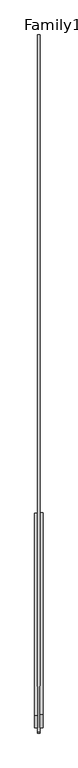
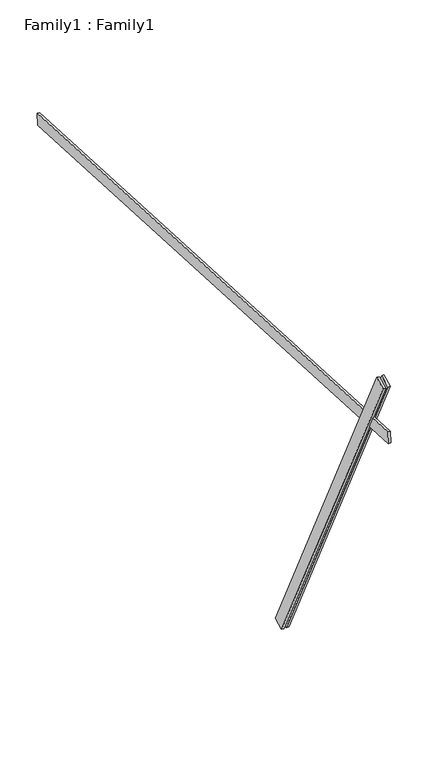
"""IFC4 building model written with IfcOpenShell, lengths in millimetres: proxy geometry, Family1 : Family1."""

from ifc_helpers import new_model, si_unit, frame, origin, place, context, project, spatial, polyline, outline, extrude, source, transform, mapped, element, save


def family1_family1_3a91a97f(model_context):
    return source(origin(), model_context, "Body", "SweptSolid", [
        extrude(outline(polyline([(0.0, 0.0), (-100.0000001, 0.0), (-100.0000001, 20.0), (0.0, 20.0), (0.0, 0.0)])), frame((-30.0, -46.3241747, -22.5938096), z_axis=(0.0, -0.4383711467890692, 0.8987940462991711), x_axis=(0.0, -0.8987940462991711, -0.4383711467890692)), (0.0, 0.0, 1.0), 3300.0),
        extrude(outline(polyline([(0.0, 0.0), (-99.9999999, 0.0), (-99.9999999, 20.0), (0.0, 20.0), (0.0, 0.0)])), frame((10.0, -45.270232, -22.0797674), z_axis=(0.0, -0.4383711467890692, 0.8987940462991711), x_axis=(0.0, -0.8987940462991711, -0.4383711467890692)), (0.0, 0.0, 1.0), 3300.0),
        extrude(outline(polyline([(0.0, 20.0), (5000.0, 20.0), (5000.0, 0.0), (0.0, 0.0), (0.0, 20.0)])), frame((-10.0, 3461.7676401, 2220.8037947), z_axis=(0.0, 0.05233595624294128, 0.998629534754574), x_axis=(0.0, -0.998629534754574, 0.05233595624294128)), (0.0, 0.0, 1.0), 100.0),
    ])


if __name__ == "__main__":
    model = new_model("IFC4")
    model_context = context("Model", 3, world=origin())
    ifc_project = project(units=[si_unit("LENGTHUNIT", "METRE", prefix="MILLI")], contexts=[model_context])
    site = spatial("IfcSite", under=ifc_project)
    building = spatial("IfcBuilding", under=site)
    placement = place(None, origin())
    family1_family1_shape = family1_family1_3a91a97f(model_context)
    element("IfcBuildingElementProxy", 1, Name="Family1 : Family1", ObjectType="Family1 : Family1", at=placement, inside=building, context=model_context, shape_type="MappedRepresentation", body=[
        mapped(family1_family1_shape, transform((0.0, 0.0, 0.0), x_axis=(1.0, 0.0, 0.0), y_axis=(0.0, 1.0, 0.0), z_axis=(0.0, 0.0, 1.0))),
    ])
    save(model, "model.ifc")
